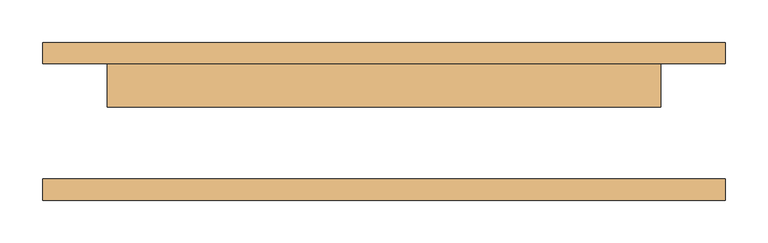
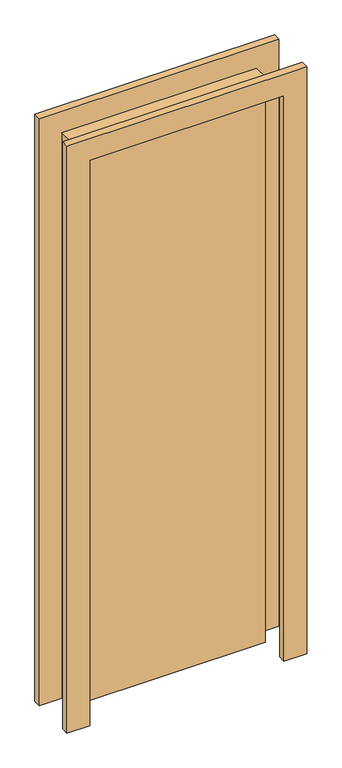
"""IFC4 building model written with IfcOpenShell, lengths in millimetres: door geometry."""

from ifc_helpers import new_model, si_unit, frame, origin, origin_with_axes, place, context, project, spatial, polyline, outline, extrude, source, transform, mapped, element, save


def door_a28e7960(model_context):
    return source(origin(), model_context, "Body", "SweptSolid", [
        extrude(outline(polyline([(2076.0, -401.0), (0.0, -401.0), (0.0, -325.0), (2000.0, -325.0), (2000.0, 325.0), (0.0, 325.0), (0.0, 401.0), (2076.0, 401.0), (2076.0, -401.0)])), frame((0.0, 67.75, 0.0), z_axis=(0.0, 1.0, 0.0), x_axis=(0.0, 0.0, 1.0)), (0.0, 0.0, 1.0), 25.0),
        extrude(outline(polyline([(2076.0, 401.0), (2076.0, -401.0), (0.0, -401.0), (0.0, -325.0), (2000.0, -325.0), (2000.0, 325.0), (0.0, 325.0), (0.0, 401.0), (2076.0, 401.0)])), frame((0.0, -92.75, 0.0), z_axis=(0.0, 1.0, 0.0), x_axis=(0.0, 0.0, 1.0)), (0.0, 0.0, 1.0), 25.0),
        extrude(outline(polyline([(325.0, 16.75), (-325.0, 16.75), (-325.0, 67.75), (325.0, 67.75), (325.0, 16.75)])), origin_with_axes(), (0.0, 0.0, 1.0), 2000.0),
    ])


if __name__ == "__main__":
    model = new_model("IFC4")
    model_context = context("Model", 3, world=origin())
    ifc_project = project(units=[si_unit("LENGTHUNIT", "METRE", prefix="MILLI")], contexts=[model_context])
    site = spatial("IfcSite", under=ifc_project)
    building = spatial("IfcBuilding", under=site)
    placement = place(None, origin())
    door_shape = door_a28e7960(model_context)
    element("IfcDoor", 1, at=placement, inside=building, context=model_context, shape_type="MappedRepresentation", body=[
        mapped(door_shape, transform((0.0, 0.0, 0.0), x_axis=(1.0, 0.0, 0.0), y_axis=(0.0, 1.0, 0.0), z_axis=(0.0, 0.0, 1.0))),
    ])
    save(model, "model.ifc")
